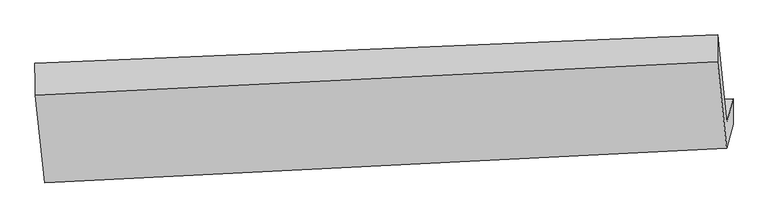
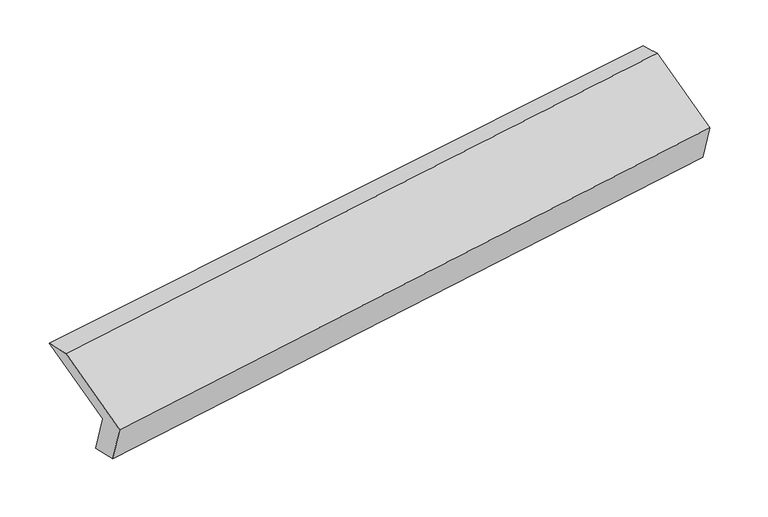
"""IFC4 building model written with IfcOpenShell, lengths in millimetres: proxy geometry."""

import ifcopenshell
import ifcopenshell.guid

model = None  # the IFC model being written
_history = None  # IfcOwnerHistory: only IFC2X3 demands one
_inside = {}  # id of a spatial element -> (the spatial element, [elements in it])
_under = {}  # id of a project, library or spatial element -> (it, [spatial elements below it])
_declared = {}  # id of a project -> (the project, [libraries it declares])
_typed = {}  # id of a type object -> (the type object, [elements of that type])
_made_of = {}  # id of a material, layer set ... -> (it, [elements and type objects made of it])


def new_model(schema):
    """Start an empty IFC model of exactly this schema.

    Asked for "IFC4X3", IfcOpenShell would pick the latest addendum, in which some entities
    have other attributes; the version numbers below select the first issue.
    IFC2X3 requires an IfcOwnerHistory on every rooted entity: one is made here for all.
    """
    global model, _history
    if schema == "IFC4X3":
        model = ifcopenshell.file(schema_version=(4, 3, 0, 0))
    else:
        model = ifcopenshell.file(schema=schema)
    _inside.clear()
    _under.clear()
    _declared.clear()
    _typed.clear()
    _made_of.clear()
    _history = None
    if model.schema == "IFC2X3":
        org = make("IfcOrganization", Name="unknown")
        user = make(
            "IfcPersonAndOrganization",
            ThePerson=make("IfcPerson", FamilyName="unknown"),
            TheOrganization=org,
        )
        app = make(
            "IfcApplication",
            ApplicationDeveloper=org,
            Version="unknown",
            ApplicationFullName="unknown",
            ApplicationIdentifier="unknown",
        )
        _history = make(
            "IfcOwnerHistory",
            OwningUser=user,
            OwningApplication=app,
            ChangeAction="ADDED",
            CreationDate=0,
        )
    return model


def make(cls, **values):
    """One entity of the class cls with the attributes given. An attribute that is None is left unset."""
    return model.create_entity(
        cls, **{name: value for name, value in values.items() if value is not None}
    )


def rooted(cls, **values):
    """An entity with a GlobalId (a new one), such as an element, a storey or a relation."""
    return make(cls, GlobalId=ifcopenshell.guid.new(), OwnerHistory=_history, **values)


def si_unit(unit_type, name, prefix=None):
    """IfcSIUnit, for example si_unit("LENGTHUNIT", "METRE", prefix="MILLI")."""
    return make("IfcSIUnit", UnitType=unit_type, Prefix=prefix, Name=name)


def assignment(units):
    """IfcUnitAssignment: the units of a project."""
    return None if units is None else make("IfcUnitAssignment", Units=units)


def point(xyz):
    """IfcCartesianPoint."""
    return None if xyz is None else make("IfcCartesianPoint", Coordinates=xyz)


def direction(xyz):
    """IfcDirection."""
    return None if xyz is None else make("IfcDirection", DirectionRatios=xyz)


def frame(location, z_axis=None, x_axis=None):
    """IfcAxis2Placement3D, a coordinate frame: its origin and axes. An axis left out is left unset."""
    return make(
        "IfcAxis2Placement3D",
        Location=point(location),
        Axis=direction(z_axis),
        RefDirection=direction(x_axis),
    )


def origin():
    """The frame at (0, 0, 0) with its axes left unset."""
    return frame((0.0, 0.0, 0.0))


def place(relative_to, where):
    """IfcLocalPlacement: puts the frame where relative to a parent placement (None: the world)."""
    return make(
        "IfcLocalPlacement", PlacementRelTo=relative_to, RelativePlacement=where
    )


def context(
    kind, dimensions, precision=None, world=None, true_north=None, identifier=None
):
    """IfcGeometricRepresentationContext, for example the 3D "Model" context."""
    return make(
        "IfcGeometricRepresentationContext",
        ContextIdentifier=identifier,
        ContextType=kind,
        CoordinateSpaceDimension=dimensions,
        Precision=precision,
        WorldCoordinateSystem=world,
        TrueNorth=true_north,
    )


def project(units=None, contexts=None):
    """IfcProject with its units and contexts."""
    return rooted(
        "IfcProject",
        Name="project",
        RepresentationContexts=contexts,
        UnitsInContext=assignment(units),
    )


def spatial(cls, under=None, at=None, **own):
    """A site, building, storey or space (cls), placed at a placement, below another one or the project."""
    s = rooted(cls, ObjectPlacement=at, **own)
    if under is not None:
        _under.setdefault(under.id(), (under, []))[1].append(s)
    return s


def shape(context_of_items, identifier, shape_type, items):
    """IfcShapeRepresentation: the items that make up one representation, for example the "Body"."""
    return make(
        "IfcShapeRepresentation",
        ContextOfItems=context_of_items,
        RepresentationIdentifier=identifier,
        RepresentationType=shape_type,
        Items=items,
    )


def source(mapping_origin, context_of_items, identifier, shape_type, items):
    """IfcRepresentationMap: a shape defined once, which mapped items show again and again."""
    return make(
        "IfcRepresentationMap",
        MappingOrigin=mapping_origin,
        MappedRepresentation=shape(context_of_items, identifier, shape_type, items),
    )


def transform(
    local_origin,
    x_axis=None,
    y_axis=None,
    z_axis=None,
    scale=None,
    scale2=None,
    scale3=None,
    uniform=True,
):
    """IfcCartesianTransformationOperator3D, or its non-uniform kind. x_axis, y_axis, z_axis: its Axis1, 2, 3."""
    if uniform:
        return make(
            "IfcCartesianTransformationOperator3D",
            Axis1=direction(x_axis),
            Axis2=direction(y_axis),
            LocalOrigin=point(local_origin),
            Scale=scale,
            Axis3=direction(z_axis),
        )
    return make(
        "IfcCartesianTransformationOperator3DnonUniform",
        Axis1=direction(x_axis),
        Axis2=direction(y_axis),
        LocalOrigin=point(local_origin),
        Scale=scale,
        Axis3=direction(z_axis),
        Scale2=scale2,
        Scale3=scale3,
    )


def mapped(mapping_source, mapping_target):
    """IfcMappedItem: shows the shape of a source again, moved by a transform."""
    return make(
        "IfcMappedItem", MappingSource=mapping_source, MappingTarget=mapping_target
    )


def made_of(thing, what):
    """Note that an element or type object is made of a material, layer set ...; save() writes the relation."""
    if what is not None:
        _made_of.setdefault(what.id(), (what, []))[1].append(thing)
    return thing


def element(
    cls,
    number,
    at=None,
    inside=None,
    cuts=None,
    type_object=None,
    material=None,
    context=None,
    identifier="Body",
    shape_type=None,
    held_by="IfcProductDefinitionShape",
    body=None,
    shapes=None,
    **own,
):
    """One element of the class cls, such as IfcWall. Its Tag is "e" and its number.

    at: its placement. inside: the storey or other place that contains it. cuts: it is an
    opening in that element (IfcRelVoidsElement). A single representation is given by context,
    identifier, shape_type and body (its items); several are given by shapes. held_by: the class
    of the entity that holds the representations. save() writes the other relations.
    """
    e = rooted(cls, Tag="e%d" % number, ObjectPlacement=at, **own)
    if body is not None:
        shapes = [shape(context, identifier, shape_type, body)]
    if shapes is not None:
        e.Representation = make(held_by, Representations=shapes)
    if inside is not None:
        _inside.setdefault(inside.id(), (inside, []))[1].append(e)
    if cuts is not None:
        rooted(
            "IfcRelVoidsElement", RelatingBuildingElement=cuts, RelatedOpeningElement=e
        )
    if type_object is not None:
        _typed.setdefault(type_object.id(), (type_object, []))[1].append(e)
    return made_of(e, material)


def aggregate(whole, parts):
    """IfcRelAggregates: a whole, such as a stair, and the parts it consists of."""
    return rooted("IfcRelAggregates", RelatingObject=whole, RelatedObjects=parts)


def save(model, path):
    """Write the relations noted so far, then the file.

    IfcRelAggregates (storeys below a building ...), IfcRelContainedInSpatialStructure (elements
    in a storey), IfcRelDefinesByType, IfcRelAssociatesMaterial and IfcRelDeclares: one each for
    every whole, place, type object, material and project.
    """
    for whole, parts in _under.values():
        aggregate(whole, parts)
    for where, things in _inside.values():
        rooted(
            "IfcRelContainedInSpatialStructure",
            RelatedElements=things,
            RelatingStructure=where,
        )
    for kind, things in _typed.values():
        rooted("IfcRelDefinesByType", RelatedObjects=things, RelatingType=kind)
    for what, things in _made_of.values():
        rooted("IfcRelAssociatesMaterial", RelatedObjects=things, RelatingMaterial=what)
    for by, libraries in _declared.values():
        rooted("IfcRelDeclares", RelatingContext=by, RelatedDefinitions=libraries)
    model.write(path)


def plane_surface(at):
    """IfcPlane: the flat surface through the origin of the frame at, square to its z axis."""
    return make("IfcPlane", Position=at)


def spline_surface(u_degree, v_degree, points, u_multiplicities, v_multiplicities, u_knots, v_knots, weights=None):
    """IfcBSplineSurfaceWithKnots; with weights, IfcRationalBSplineSurfaceWithKnots. points: one row for each step in u."""
    own = dict(
        UDegree=u_degree,
        VDegree=v_degree,
        ControlPointsList=[[point(p) for p in row] for row in points],
        SurfaceForm="UNSPECIFIED",
        UClosed=False,
        VClosed=False,
        SelfIntersect=False,
        UMultiplicities=u_multiplicities,
        VMultiplicities=v_multiplicities,
        UKnots=u_knots,
        VKnots=v_knots,
        KnotSpec="UNSPECIFIED",
    )
    if weights is None:
        return make("IfcBSplineSurfaceWithKnots", **own)
    return make("IfcRationalBSplineSurfaceWithKnots", WeightsData=weights, **own)


def advanced_brep(points, edges, surfaces, faces):
    """IfcAdvancedBrep: a solid bounded by faces that lie on surfaces and meet in shared edges.

    An edge is (start, end): straight between two places in points (the first is 0);
    or (start, end, curve); or (start, end, curve, False) where it runs against its curve.
    A face is (place in surfaces, loops), or (place, loops, False) where it looks against
    its surface's normal. A loop lists edges by number (the first is 1), with a minus sign
    where the edge is run from its end to its start. The first loop is the outer one.
    """
    corners = [point(p) for p in points]
    vertices = [make("IfcVertexPoint", VertexGeometry=c) for c in corners]
    made = []
    for start, end, *more in edges:
        made.append(
            make(
                "IfcEdgeCurve",
                EdgeStart=vertices[start],
                EdgeEnd=vertices[end],
                EdgeGeometry=more[0] if more else make("IfcPolyline", Points=[corners[start], corners[end]]),
                SameSense=more[1] if len(more) > 1 else True,
            )
        )
    hull = []
    for where, loops, *sense in faces:
        bounds = []
        for j, loop in enumerate(loops):
            ring = [make("IfcOrientedEdge", EdgeElement=made[abs(k) - 1], Orientation=k > 0) for k in loop]
            bounds.append(
                make(
                    "IfcFaceOuterBound" if j == 0 else "IfcFaceBound",
                    Bound=make("IfcEdgeLoop", EdgeList=ring),
                    Orientation=True,
                )
            )
        hull.append(make("IfcAdvancedFace", Bounds=bounds, FaceSurface=surfaces[where], SameSense=sense[0] if sense else True))
    return make("IfcAdvancedBrep", Outer=make("IfcClosedShell", CfsFaces=hull))


def generic_models_168d3b3d(model_context):
    return source(origin(), model_context, "Body", "AdvancedBrep", [
        advanced_brep(
        [(-5176.221291, -1591.2190979, 1234.7584951), (-5220.8485894, -1759.8440629, 1593.675531), (-488.8293354, -1564.7991789, 2262.5657382), (-445.3203527, -1400.3997876, 1912.6428058), (-5173.7874606, -1815.4581527, 1280.8945846), (-445.3395852, -1575.6904805, 1962.1200332), (-5218.414759, -1984.0831177, 1639.8116205), (-489.7736499, -1743.5853091, 2319.4829788), (-5282.5976064, -1377.2651948, 1916.9239723), (-553.054913, -1145.2914322, 2592.7026993), (-5285.0314368, -1153.02614, 1870.7878828), (-553.0121829, -957.981256, 2539.67809)],
        [
            (0, 1),
            (1, 2),
            (2, 3),
            (3, 0),
            (4, 0),
            (3, 5),
            (5, 4),
            (6, 4),
            (5, 7),
            (7, 6),
            (8, 6),
            (7, 9),
            (9, 8),
            (10, 8),
            (9, 11),
            (11, 10),
            (1, 10),
            (11, 2),
        ],
        [
            plane_surface(frame((-5198.5349402, -1675.5315804, 1414.217013), z_axis=(-0.09576983711588932, 0.9054577035603336, 0.41349061097205514), x_axis=(-0.11183156529595009, -0.4225573684664014, 0.8994103464816311))),
            spline_surface(1, 1, [[(-5173.7874606, -1815.4581527, 1280.8945846), (-445.3395852, -1575.6904805, 1962.1200332)], [(-5176.221291, -1591.2190979, 1234.7584951), (-445.3203527, -1400.3997876, 1912.6428058)]], [2, 2], [2, 2], [0.0, 1.0], [0.0, 1.0]),
            plane_surface(frame((-5196.1011098, -1899.7706352, 1460.3531025), z_axis=(0.10526450438616555, -0.9050328041248277, -0.4121104312854582), x_axis=(0.1118315652959501, 0.4225573684664017, -0.8994103464816309))),
            plane_surface(frame((-5250.5061827, -1680.6741563, 1778.3677964), z_axis=(-0.1078743185899838, -0.4223944099459415, 0.8999700516323678), x_axis=(0.09576983711589507, -0.9054577035603314, -0.4134906109720582))),
            spline_surface(1, 1, [[(-5285.0314368, -1153.02614, 1870.7878828), (-553.0121829, -957.981256, 2539.67809)], [(-5282.5976064, -1377.2651948, 1916.9239723), (-553.054913, -1145.2914322, 2592.7026993)]], [2, 2], [2, 2], [0.0, 1.0], [0.0, 1.0]),
            plane_surface(frame((-5252.9400131, -1456.4351014, 1732.2317069), z_axis=(0.10976338558984283, 0.42247303546241044, -0.8997046923802456), x_axis=(-0.09576983711589486, 0.9054577035603345, 0.4134906109720516))),
            plane_surface(frame((-495.8883365, -1397.9579074, 2264.8653909), z_axis=(0.9891015313415772, 0.03989508012271252, 0.1417270026485768), x_axis=(0.09576983711589507, -0.9054577035603314, -0.4134906109720582))),
            plane_surface(frame((-5226.1501905, -1613.4826277, 1589.4753477), z_axis=(-0.9891015313415771, -0.03989508012271092, -0.14172700264857685), x_axis=(0.1118315652959508, 0.4225573684664021, -0.8994103464816307))),
        ],
        [
            (0, [[1, 2, 3, 4]]),
            (1, [[5, -4, 6, 7]]),
            (2, [[8, -7, 9, 10]]),
            (3, [[11, -10, 12, 13]]),
            (4, [[14, -13, 15, 16]]),
            (5, [[17, -16, 18, -2]]),
            (6, [[-12, -9, -6, -3, -18, -15]]),
            (7, [[-1, -5, -8, -11, -14, -17]]),
        ],
    ),
    ])


if __name__ == "__main__":
    model = new_model("IFC4")
    model_context = context("Model", 3, world=origin())
    ifc_project = project(units=[si_unit("LENGTHUNIT", "METRE", prefix="MILLI")], contexts=[model_context])
    site = spatial("IfcSite", under=ifc_project)
    building = spatial("IfcBuilding", under=site)
    placement = place(None, origin())
    generic_models_shape = generic_models_168d3b3d(model_context)
    element("IfcBuildingElementProxy", 1, Name="Generic Models", at=placement, inside=building, context=model_context, shape_type="MappedRepresentation", body=[
        mapped(generic_models_shape, transform((0.0, 0.0, 0.0), x_axis=(1.0, 0.0, 0.0), y_axis=(0.0, 1.0, 0.0), z_axis=(0.0, 0.0, 1.0))),
    ])
    save(model, "model.ifc")
